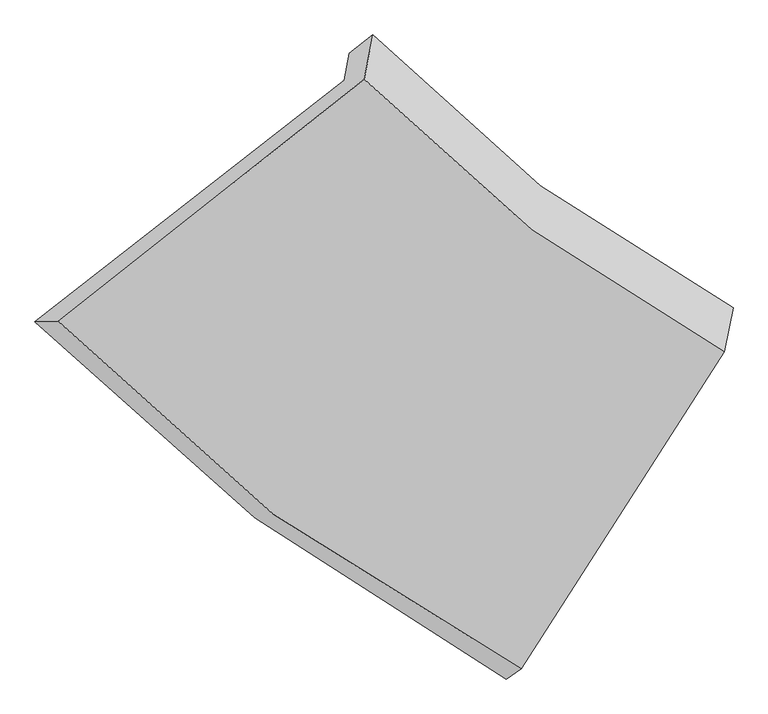
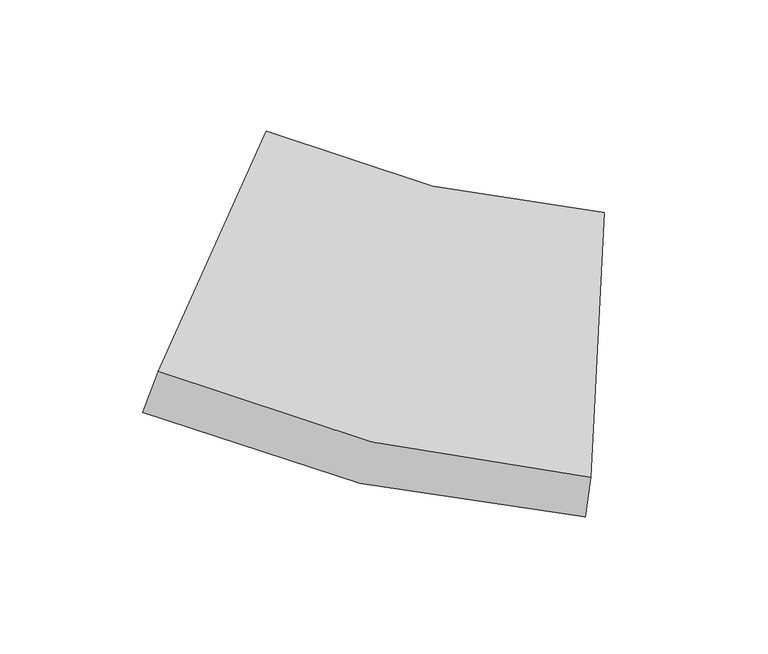
"""IFC4 building model written with IfcOpenShell, lengths in millimetres: proxy geometry."""

from ifc_helpers import new_model, si_unit, frame, origin, place, context, project, spatial, source, transform, mapped, element, save
from ifc_brep_helpers import plane_surface, spline_curve, spline_surface, advanced_brep


def generic_models_0928b243(model_context):
    return source(origin(), model_context, "Body", "AdvancedBrep", [
        advanced_brep(
        [(-326.1894091, -967.3622031, 2278.7333838), (-309.9581163, -885.244539, 2109.4403814), (812.7501673, -1735.6616674, 1818.971759), (795.2296998, -1824.3015486, 2001.7109027), (-1269.3086362, -1703.7660019, 1831.1082427), (168.9221989, -2794.1461577, 1471.2273447), (-1197.371098, -1703.1999504, 2006.9732231), (213.8407794, -2762.5229627, 1631.1237111), (-264.5049693, -963.9628418, 2422.1056333), (834.2218801, -1796.1635946, 2138.3042915), (-237.8106767, -828.9105708, 2143.683144), (860.9262243, -1661.0604706, 1859.7769643)],
        [
            (0, 1),
            (1, 2, spline_curve(3, [(-309.9581163, -885.244539, 2109.4403814), (-149.517776776, -1056.24760116, 2041.034817562), (24.487912041, -1212.736473187, 1982.596159102), (398.838279441, -1496.086583554, 1885.857244968), (599.06868517, -1623.070087644, 1847.473029285), (812.7501673, -1735.6616674, 1818.971759)], [4, 2, 4], [0.0, 0.5010574434892788, 1.0])),
            (2, 3),
            (3, 0, spline_curve(3, [(795.2296998, -1824.3015486, 2001.7109027), (582.192350597, -1708.451159281, 2023.493841893), (382.391669777, -1579.293582784, 2057.396010517), (8.472848777, -1293.760184751, 2149.633879351), (-165.53284004, -1137.271312724, 2208.072537711), (-326.1894091, -967.3622031, 2278.7333838)], [4, 2, 4], [0.0, 0.49894255651072117, 1.0])),
            (4, 0),
            (3, 5),
            (5, 4, spline_curve(3, [(168.9221989, -2794.1461577, 1471.2273447), (-103.40938546, -2647.110251289, 1502.452255519), (-359.209309306, -2482.955735002, 1547.961087269), (-838.760031472, -2119.641113235, 1667.800038369), (-1062.370385985, -1920.335577642, 1742.251505939), (-1269.3086362, -1703.7660019, 1831.1082427)], [4, 2, 4], [0.0, 0.49894255651072117, 1.0])),
            (6, 4),
            (5, 7),
            (7, 6, spline_curve(3, [(213.8407794, -2762.5229627, 1631.1237111), (-55.02354202, -2624.525446203, 1672.508229526), (-306.844101799, -2467.476842204, 1724.432703455), (-777.392855232, -2114.53101887, 1849.626332521), (-995.976254605, -1918.471952111, 1922.985029278), (-1197.371098, -1703.1999504, 2006.9732231)], [4, 2, 4], [0.0, 0.49894255651072117, 1.0])),
            (8, 6),
            (7, 9),
            (9, 8, spline_curve(3, [(834.2218801, -1796.1635946, 2138.3042915), (625.043204094, -1686.034508361, 2165.977625821), (429.058971751, -1561.796472124, 2203.39373887), (62.704595951, -1284.516082991, 2297.911416937), (-107.553454809, -1131.353868285, 2355.095751108), (-264.5049693, -963.9628418, 2422.1056333)], [4, 2, 4], [0.0, 0.49894255651072117, 1.0])),
            (10, 8),
            (9, 11),
            (11, 10, spline_curve(3, [(860.9262243, -1661.0604706, 1859.7769643), (651.742526072, -1550.956792911, 1887.502680637), (455.754943143, -1426.735707708, 1924.95373973), (89.397202643, -1149.472341408, 2019.506511897), (-80.860848117, -996.310126685, 2076.690845968), (-237.8106767, -828.9105708, 2143.683144)], [4, 2, 4], [0.0, 0.49894255651072117, 1.0])),
            (1, 10),
            (11, 2),
        ],
        [
            spline_surface(3, 3, [[(-326.1894091, -967.3622031, 2278.7333838), (-165.532840037, -1137.271312728, 2208.072537711), (8.472848776, -1293.76018475, 2149.633879347), (382.391669778, -1579.293582784, 2057.39601052), (582.192350603, -1708.451159275, 2023.493841901), (795.2296998, -1824.3015486, 2001.7109027)], [(-320.778978164, -939.989648403, 2222.302382987), (-160.194485612, -1110.263408878, 2152.393297647), (13.811203202, -1266.7522809, 2093.954639284), (387.873873, -1551.557916376, 2000.216422026), (587.817795458, -1679.990802084, 1964.820237716), (801.069855634, -1794.754921553, 1940.797854818)], [(-315.368547236, -912.617093697, 2165.871382213), (-154.856131194, -1083.255505018, 2096.714057622), (19.14955762, -1239.744377041, 2038.275399159), (393.356076215, -1523.822249958, 1943.036833469), (593.44324031, -1651.530444833, 1906.146633477), (806.910011466, -1765.208294447, 1879.884806882)], [(-309.9581163, -885.244539, 2109.4403814), (-149.517776768, -1056.247601168, 2041.034817559), (24.487912045, -1212.736473191, 1982.596159095), (398.838279437, -1496.086583551, 1885.857244975), (599.068685165, -1623.070087642, 1847.473029293), (812.7501673, -1735.6616674, 1818.971759)]], [4, 4], [4, 2, 4], [0.0, 1.0], [0.0, 0.5010574434892788, 1.0]),
            spline_surface(3, 3, [[(-1269.3086362, -1703.7660019, 1831.1082427), (-1062.370385985, -1920.335577642, 1742.251505936), (-838.760031464, -2119.64111323, 1667.800038363), (-359.209309314, -2482.955735007, 1547.961087274), (-103.409385452, -2647.11025129, 1502.452255517), (168.9221989, -2794.1461577, 1471.2273447)], [(-954.935560487, -1458.298068984, 1980.316623074), (-763.424537322, -1659.314156021, 1897.525183202), (-556.349071384, -1844.347470403, 1828.411318694), (-112.00898295, -2181.735017599, 1717.772728359), (125.124526585, -2334.223887264, 1676.132784296), (377.691365885, -2470.864621312, 1648.055197351)], [(-640.562484813, -1212.830136016, 2129.525003426), (-464.4786887, -1398.292734349, 2052.798860445), (-273.938111304, -1569.053827577, 1989.022599017), (135.191343414, -1880.514300192, 1887.584369436), (353.658438566, -2021.337523302, 1849.813313122), (586.460532815, -2147.583084988, 1824.883050049)], [(-326.1894091, -967.3622031, 2278.7333838), (-165.532840037, -1137.271312728, 2208.072537711), (8.472848776, -1293.76018475, 2149.633879347), (382.391669778, -1579.293582784, 2057.39601052), (582.192350603, -1708.451159275, 2023.493841901), (795.2296998, -1824.3015486, 2001.7109027)]], [4, 4], [4, 2, 4], [0.0, 1.0], [0.0, 0.5010574434892788, 1.0]),
            spline_surface(3, 3, [[(-1197.371098, -1703.1999504, 2006.9732231), (-995.976254612, -1918.471952119, 1922.985029273), (-777.392855235, -2114.531018872, 1849.626332519), (-306.844101797, -2467.476842202, 1724.432703457), (-55.023542014, -2624.525446206, 1672.508229532), (213.8407794, -2762.5229627, 1631.1237111)], [(-1221.350277398, -1703.388634234, 1948.351562973), (-1018.107631735, -1919.093160627, 1862.740521501), (-797.848580648, -2116.234383658, 1789.017567801), (-324.299170972, -2472.636473137, 1665.608831396), (-71.152156486, -2632.053714595, 1615.822904861), (198.86791924, -2773.064027728, 1577.8249223)], [(-1245.329456802, -1703.577318066, 1889.729902827), (-1040.239008862, -1919.714369134, 1802.496013708), (-818.304306051, -2117.937748444, 1728.408803082), (-341.754240138, -2477.796104072, 1606.784959335), (-87.28077098, -2639.581982901, 1559.137580189), (183.89505906, -2783.605092672, 1524.5261335)], [(-1269.3086362, -1703.7660019, 1831.1082427), (-1062.370385985, -1920.335577642, 1742.251505936), (-838.760031464, -2119.64111323, 1667.800038363), (-359.209309314, -2482.955735007, 1547.961087274), (-103.409385452, -2647.11025129, 1502.452255517), (168.9221989, -2794.1461577, 1471.2273447)]], [4, 4], [4, 2, 4], [0.0, 1.0], [0.0, 0.5010574434892788, 1.0]),
            spline_surface(3, 3, [[(-264.5049693, -963.9628418, 2422.1056333), (-107.553454807, -1131.353868278, 2355.09575111), (62.704595951, -1284.516082993, 2297.911416931), (429.05897175, -1561.796472123, 2203.393738875), (625.043204098, -1686.034508366, 2165.977625824), (834.2218801, -1796.1635946, 2138.3042915)], [(-575.460345539, -1210.375211312, 2283.728163222), (-403.694388081, -1393.72656287, 2211.05884382), (-217.327887759, -1561.187728295, 2148.483055437), (183.757947253, -1863.689928825, 2043.740060379), (398.354288695, -1998.864820974, 2001.487827073), (627.428179834, -2118.283383961, 1969.244098046)], [(-886.415721761, -1456.787580888, 2145.350693178), (-699.835321339, -1656.099257527, 2067.021936563), (-497.360371525, -1837.85937357, 1999.054694013), (-61.543077299, -2165.5833855, 1884.086381953), (171.665373389, -2311.695133598, 1836.998028283), (420.634479666, -2440.403173339, 1800.183904554)], [(-1197.371098, -1703.1999504, 2006.9732231), (-995.976254612, -1918.471952119, 1922.985029273), (-777.392855235, -2114.531018872, 1849.626332519), (-306.844101797, -2467.476842202, 1724.432703457), (-55.023542014, -2624.525446206, 1672.508229532), (213.8407794, -2762.5229627, 1631.1237111)]], [4, 4], [4, 2, 4], [0.0, 1.0], [0.0, 0.5010574434892788, 1.0]),
            spline_surface(3, 3, [[(-237.8106767, -828.9105708, 2143.683144), (-80.860848123, -996.310126692, 2076.690845971), (89.397202635, -1149.472341407, 2019.506511892), (455.75494315, -1426.73570771, 1924.953739735), (651.742526072, -1550.956792907, 1887.502680632), (860.9262243, -1661.0604706, 1859.7769643)], [(-246.708774244, -873.927994481, 2236.490640431), (-89.758383695, -1041.324707235, 2169.492481015), (80.499667063, -1194.48692195, 2112.308146936), (446.856286006, -1471.755962529, 2017.767072813), (642.842752091, -1595.982698051, 1980.327662369), (852.024776243, -1706.094845258, 1952.619406706)], [(-255.606871756, -918.945418119, 2329.298136869), (-98.655919235, -1086.339287735, 2262.294116066), (71.602131523, -1239.50150245, 2205.109781887), (437.957628894, -1516.776217304, 2110.580405797), (633.94297808, -1641.008603221, 2073.152644088), (843.123328157, -1751.129219942, 2045.461849094)], [(-264.5049693, -963.9628418, 2422.1056333), (-107.553454807, -1131.353868278, 2355.09575111), (62.704595951, -1284.516082993, 2297.911416931), (429.05897175, -1561.796472123, 2203.393738875), (625.043204098, -1686.034508366, 2165.977625824), (834.2218801, -1796.1635946, 2138.3042915)]], [4, 4], [4, 2, 4], [0.0, 1.0], [0.0, 0.5010574434892788, 1.0]),
            spline_surface(3, 3, [[(-309.9581163, -885.244539, 2109.4403814), (-149.517776768, -1056.247601168, 2041.034817559), (24.487912045, -1212.736473191, 1982.596159095), (398.838279437, -1496.086583551, 1885.857244975), (599.068685165, -1623.070087642, 1847.473029293), (812.7501673, -1735.6616674, 1818.971759)], [(-285.908969768, -866.466549587, 2120.854635611), (-126.632133888, -1036.268442996, 2052.920160374), (46.124342235, -1191.648429237, 1994.899609997), (417.810500668, -1472.969624911, 1898.889409864), (616.62663213, -1599.032322718, 1860.816246385), (828.808852962, -1710.794601788, 1832.573494079)], [(-261.859823232, -847.688560213, 2132.268889789), (-103.746491003, -1016.289284864, 2064.805503155), (67.760772445, -1170.560385361, 2007.203060991), (436.782721919, -1449.85266635, 1911.921574846), (634.184579108, -1574.994557831, 1874.15946354), (844.867538638, -1685.927536212, 1846.175229221)], [(-237.8106767, -828.9105708, 2143.683144), (-80.860848123, -996.310126692, 2076.690845971), (89.397202635, -1149.472341407, 2019.506511892), (455.75494315, -1426.73570771, 1924.953739735), (651.742526072, -1550.956792907, 1887.502680632), (860.9262243, -1661.0604706, 1859.7769643)]], [4, 4], [4, 2, 4], [0.0, 1.0], [0.0, 0.5010574434892788, 1.0]),
            plane_surface(frame((614.3151583, -2095.6427336, 1820.1858289), z_axis=(0.8658047539151887, -0.47776554232818547, -0.14873538469952177), x_axis=(-0.4941816491020082, -0.769780165017666, -0.40400865737777797))),
            plane_surface(frame((-600.8571509, -1175.4076845, 2132.0073347), z_axis=(-0.6690568099340143, 0.6918652423490091, 0.27145067970124387), x_axis=(-0.08594497977030209, -0.43481446999438966, 0.8964094137924815))),
        ],
        [
            (0, [[1, 2, 3, 4]]),
            (1, [[5, -4, 6, 7]]),
            (2, [[8, -7, 9, 10]]),
            (3, [[11, -10, 12, 13]]),
            (4, [[14, -13, 15, 16]]),
            (5, [[17, -16, 18, -2]]),
            (6, [[-12, -9, -6, -3, -18, -15]]),
            (7, [[-1, -5, -8, -11, -14, -17]]),
        ],
    ),
    ])


if __name__ == "__main__":
    model = new_model("IFC4")
    model_context = context("Model", 3, world=origin())
    ifc_project = project(units=[si_unit("LENGTHUNIT", "METRE", prefix="MILLI")], contexts=[model_context])
    site = spatial("IfcSite", under=ifc_project)
    building = spatial("IfcBuilding", under=site)
    placement = place(None, origin())
    generic_models_shape = generic_models_0928b243(model_context)
    element("IfcBuildingElementProxy", 1, Name="Generic Models", at=placement, inside=building, context=model_context, shape_type="MappedRepresentation", body=[
        mapped(generic_models_shape, transform((0.0, 0.0, 0.0), x_axis=(1.0, 0.0, 0.0), y_axis=(0.0, 1.0, 0.0), z_axis=(0.0, 0.0, 1.0))),
    ])
    save(model, "model.ifc")
